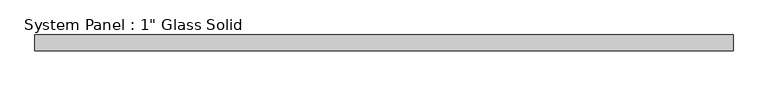
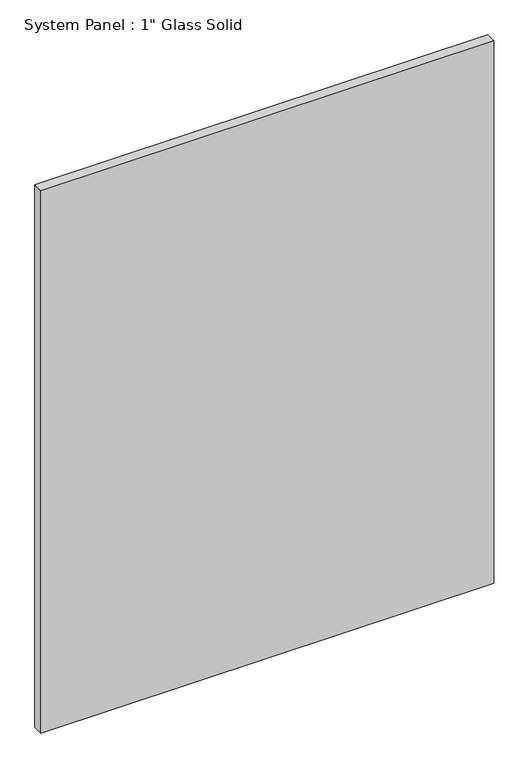
"""IFC4 building model written with IfcOpenShell, lengths in millimetres: plate geometry."""

from ifc_helpers import new_model, si_unit, origin, origin_with_axes, place, context, project, spatial, polyline, outline, extrude, source, transform, mapped, element, save


def plate_8eeeacd3(model_context):
    return source(origin(), model_context, "Body", "SweptSolid", [
        extrude(outline(polyline([(558.2220691, -12.7), (-558.2220691, -12.7), (-558.2220691, 12.7), (558.2220691, 12.7), (558.2220691, -12.7)])), origin_with_axes(), (0.0, 0.0, 1.0), 1413.6241382),
    ])


if __name__ == "__main__":
    model = new_model("IFC4")
    model_context = context("Model", 3, world=origin())
    ifc_project = project(units=[si_unit("LENGTHUNIT", "METRE", prefix="MILLI")], contexts=[model_context])
    site = spatial("IfcSite", under=ifc_project)
    building = spatial("IfcBuilding", under=site)
    placement = place(None, origin())
    plate_shape = plate_8eeeacd3(model_context)
    element("IfcPlate", 1, ObjectType="System Panel : 1\" Glass Solid", at=placement, inside=building, context=model_context, shape_type="MappedRepresentation", body=[
        mapped(plate_shape, transform((0.0, 0.0, 0.0), x_axis=(1.0, 0.0, 0.0), y_axis=(0.0, 1.0, 0.0), z_axis=(0.0, 0.0, 1.0))),
    ])
    save(model, "model.ifc")
